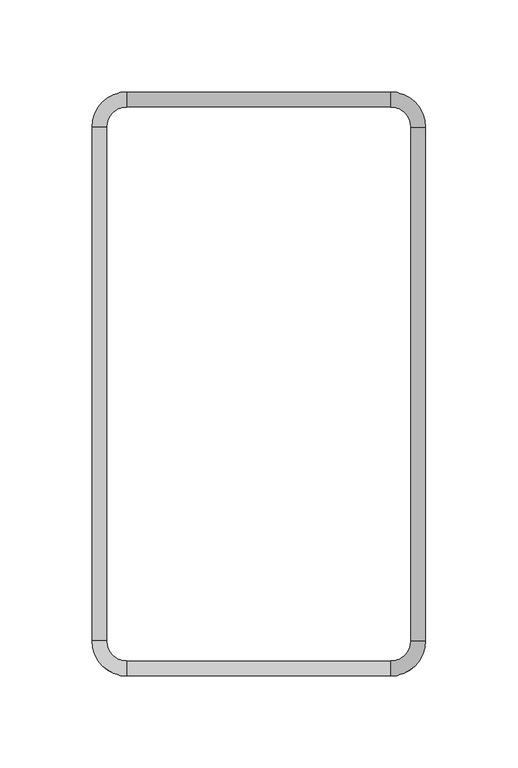
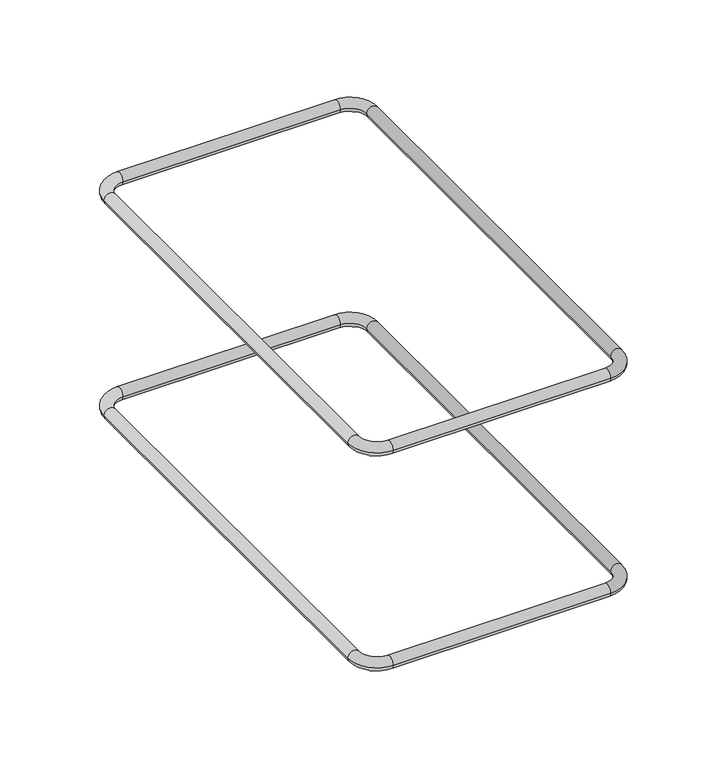
"""IFC4 building model written with IfcOpenShell, lengths in millimetres: proxy geometry."""

from ifc_helpers import new_model, si_unit, point, frame, origin, place, context, project, spatial, circle_curve, ellipse_curve, trimmed, source, transform, mapped, element, save
from ifc_brep_helpers import cylinder_surface, revolved_surface, advanced_brep


def generic_models_020169d3(model_context):
    return source(origin(), model_context, "Body", "AdvancedBrep", [
        advanced_brep(
        [(16477.9007555, 10079.0192504, 7784.695022), (16477.9007555, 10087.0192504, 7784.695022), (16334.575459, 10087.0192504, 7784.695022), (16334.575459, 10079.0192504, 7784.695022), (16334.575459, 10396.0687125, 7784.695022), (16334.575459, 10388.0687125, 7784.695022), (16477.9007555, 10388.0687125, 7784.695022), (16477.9007555, 10396.0687125, 7784.695022), (16496.9007555, 10377.0687125, 7784.695022), (16488.9007555, 10377.0687125, 7784.695022), (16488.9007555, 10098.0192504, 7784.695022), (16496.9007555, 10098.0192504, 7784.695022), (16315.575459, 10098.0192504, 7784.695022), (16323.575459, 10098.0192504, 7784.695022), (16323.575459, 10377.0687125, 7784.695022), (16315.575459, 10377.0687125, 7784.695022)],
        [
            (0, 1, circle_curve(frame((16477.9007555, 10083.0192504, 7784.695022), z_axis=(-1.0, 0.0, 0.0), x_axis=(0.0, -1.0, 0.0)), 4.0)),
            (1, 2),
            (2, 3, circle_curve(frame((16334.575459, 10083.0192504, 7784.695022), z_axis=(1.0, 0.0, 0.0), x_axis=(0.0, -1.0, 0.0)), 4.0)),
            (3, 0),
            (1, 0, circle_curve(frame((16477.9007555, 10083.0192504, 7784.695022), z_axis=(-1.0, 0.0, 0.0), x_axis=(0.0, -1.0, 0.0)), 4.0)),
            (3, 2, circle_curve(frame((16334.575459, 10083.0192504, 7784.695022), z_axis=(1.0, 0.0, 0.0), x_axis=(0.0, -1.0, 0.0)), 4.0)),
            (4, 5, circle_curve(frame((16334.575459, 10392.0687125, 7784.695022), z_axis=(1.0, 0.0, 0.0), x_axis=(0.0, 1.0, 0.0)), 4.0)),
            (5, 6),
            (6, 7, circle_curve(frame((16477.9007555, 10392.0687125, 7784.695022), z_axis=(-1.0, 0.0, 0.0), x_axis=(0.0, 1.0, 0.0)), 4.0)),
            (7, 4),
            (5, 4, circle_curve(frame((16334.575459, 10392.0687125, 7784.695022), z_axis=(1.0, 0.0, 0.0), x_axis=(0.0, 1.0, 0.0)), 4.0)),
            (7, 6, circle_curve(frame((16477.9007555, 10392.0687125, 7784.695022), z_axis=(-1.0, 0.0, 0.0), x_axis=(0.0, 1.0, 0.0)), 4.0)),
            (8, 7, circle_curve(frame((16477.9007555, 10377.0687125, 7784.695022), z_axis=(0.0, 0.0, 1.0), x_axis=(0.0, 1.0, 0.0)), 19.0)),
            (6, 9, circle_curve(frame((16477.9007555, 10377.0687125, 7784.695022), z_axis=(0.0, 0.0, -1.0), x_axis=(0.0, 1.0, 0.0)), 11.0)),
            (9, 8, circle_curve(frame((16492.9007555, 10377.0687125, 7784.695022), z_axis=(0.0, 1.0, 0.0), x_axis=(1.0, 0.0, 0.0)), 4.0)),
            (8, 9, circle_curve(frame((16492.9007555, 10377.0687125, 7784.695022), z_axis=(0.0, 1.0, 0.0), x_axis=(1.0, 0.0, 0.0)), 4.0)),
            (9, 10),
            (10, 11, circle_curve(frame((16492.9007555, 10098.0192504, 7784.695022), z_axis=(0.0, 1.0, 0.0), x_axis=(1.0, 0.0, 0.0)), 4.0)),
            (11, 8),
            (11, 10, circle_curve(frame((16492.9007555, 10098.0192504, 7784.695022), z_axis=(0.0, 1.0, 0.0), x_axis=(1.0, 0.0, 0.0)), 4.0)),
            (0, 11, circle_curve(frame((16477.9007555, 10098.0192504, 7784.695022), z_axis=(0.0, 0.0, 1.0), x_axis=(1.0, 0.0, 0.0)), 19.0)),
            (10, 1, circle_curve(frame((16477.9007555, 10098.0192504, 7784.695022), z_axis=(0.0, 0.0, -1.0), x_axis=(1.0, 0.0, 0.0)), 11.0)),
            (12, 3, circle_curve(frame((16334.575459, 10098.0192504, 7784.695022), z_axis=(0.0, 0.0, 1.0), x_axis=(0.0, -1.0, 0.0)), 19.0)),
            (2, 13, circle_curve(frame((16334.575459, 10098.0192504, 7784.695022), z_axis=(0.0, 0.0, -1.0), x_axis=(0.0, -1.0, 0.0)), 11.0)),
            (13, 12, circle_curve(frame((16319.575459, 10098.0192504, 7784.695022), z_axis=(0.0, -1.0, 0.0), x_axis=(-1.0, 0.0, 0.0)), 4.0)),
            (12, 13, circle_curve(frame((16319.575459, 10098.0192504, 7784.695022), z_axis=(0.0, -1.0, 0.0), x_axis=(-1.0, 0.0, 0.0)), 4.0)),
            (13, 14),
            (14, 15, circle_curve(frame((16319.575459, 10377.0687125, 7784.695022), z_axis=(0.0, -1.0, 0.0), x_axis=(-1.0, 0.0, 0.0)), 4.0)),
            (15, 12),
            (15, 14, circle_curve(frame((16319.575459, 10377.0687125, 7784.695022), z_axis=(0.0, -1.0, 0.0), x_axis=(-1.0, 0.0, 0.0)), 4.0)),
            (4, 15, circle_curve(frame((16334.575459, 10377.0687125, 7784.695022), z_axis=(0.0, 0.0, 1.0), x_axis=(-1.0, 0.0, 0.0)), 19.0)),
            (14, 5, circle_curve(frame((16334.575459, 10377.0687125, 7784.695022), z_axis=(0.0, 0.0, -1.0), x_axis=(-1.0, 0.0, 0.0)), 11.0)),
        ],
        [
            cylinder_surface(frame((16477.9007555, 10083.0192504, 7784.695022), z_axis=(1.0, 0.0, 0.0), x_axis=(0.0, -1.0, 0.0)), 4.0),
            cylinder_surface(frame((16334.575459, 10392.0687125, 7784.695022), z_axis=(-1.0, 0.0, 0.0), x_axis=(0.0, 1.0, 0.0)), 4.0),
            revolved_surface(trimmed(ellipse_curve(frame((16477.9007555, 10392.0687125, 7784.695022), z_axis=(-1.0, 0.0, 0.0), x_axis=(0.0, 1.0, 0.0)), 4.0, 4.0), [point((16477.9007555, 10388.0687125, 7784.695022))], [point((16477.9007555, 10396.0687125, 7784.695022))], True, "CARTESIAN"), (16477.9007555, 10377.0687125, 5170.945022), (0.0, 0.0, -1.0)),
            revolved_surface(trimmed(ellipse_curve(frame((16477.9007555, 10392.0687125, 7784.695022), z_axis=(-1.0, 0.0, 0.0), x_axis=(0.0, 1.0, 0.0)), 4.0, 4.0), [point((16477.9007555, 10396.0687125, 7784.695022))], [point((16477.9007555, 10388.0687125, 7784.695022))], True, "CARTESIAN"), (16477.9007555, 10377.0687125, 5170.945022), (0.0, 0.0, -1.0)),
            cylinder_surface(frame((16492.9007555, 10377.0687125, 7784.695022), z_axis=(0.0, 1.0, 0.0), x_axis=(1.0, 0.0, 0.0)), 4.0),
            revolved_surface(trimmed(ellipse_curve(frame((16492.9007555, 10098.0192504, 7784.695022), z_axis=(0.0, 1.0, 0.0), x_axis=(1.0, 0.0, 0.0)), 4.0, 4.0), [point((16488.9007555, 10098.0192504, 7784.695022))], [point((16496.9007555, 10098.0192504, 7784.695022))], True, "CARTESIAN"), (16477.9007555, 10098.0192504, 5170.945022), (0.0, 0.0, -1.0)),
            revolved_surface(trimmed(ellipse_curve(frame((16492.9007555, 10098.0192504, 7784.695022), z_axis=(0.0, 1.0, 0.0), x_axis=(1.0, 0.0, 0.0)), 4.0, 4.0), [point((16496.9007555, 10098.0192504, 7784.695022))], [point((16488.9007555, 10098.0192504, 7784.695022))], True, "CARTESIAN"), (16477.9007555, 10098.0192504, 5170.945022), (0.0, 0.0, -1.0)),
            revolved_surface(trimmed(ellipse_curve(frame((16334.575459, 10083.0192504, 7784.695022), z_axis=(1.0, 0.0, 0.0), x_axis=(0.0, -1.0, 0.0)), 4.0, 4.0), [point((16334.575459, 10087.0192504, 7784.695022))], [point((16334.575459, 10079.0192504, 7784.695022))], True, "CARTESIAN"), (16334.575459, 10098.0192504, 5170.945022), (0.0, 0.0, -1.0)),
            revolved_surface(trimmed(ellipse_curve(frame((16334.575459, 10083.0192504, 7784.695022), z_axis=(1.0, 0.0, 0.0), x_axis=(0.0, -1.0, 0.0)), 4.0, 4.0), [point((16334.575459, 10079.0192504, 7784.695022))], [point((16334.575459, 10087.0192504, 7784.695022))], True, "CARTESIAN"), (16334.575459, 10098.0192504, 5170.945022), (0.0, 0.0, -1.0)),
            cylinder_surface(frame((16319.575459, 10098.0192504, 7784.695022), z_axis=(0.0, -1.0, 0.0), x_axis=(-1.0, 0.0, 0.0)), 4.0),
            revolved_surface(trimmed(ellipse_curve(frame((16319.575459, 10377.0687125, 7784.695022), z_axis=(0.0, -1.0, 0.0), x_axis=(-1.0, 0.0, 0.0)), 4.0, 4.0), [point((16323.575459, 10377.0687125, 7784.695022))], [point((16315.575459, 10377.0687125, 7784.695022))], True, "CARTESIAN"), (16334.575459, 10377.0687125, 5170.945022), (0.0, 0.0, -1.0)),
            revolved_surface(trimmed(ellipse_curve(frame((16319.575459, 10377.0687125, 7784.695022), z_axis=(0.0, -1.0, 0.0), x_axis=(-1.0, 0.0, 0.0)), 4.0, 4.0), [point((16315.575459, 10377.0687125, 7784.695022))], [point((16323.575459, 10377.0687125, 7784.695022))], True, "CARTESIAN"), (16334.575459, 10377.0687125, 5170.945022), (0.0, 0.0, -1.0)),
        ],
        [
            (0, [[1, 2, 3, 4]]),
            (0, [[5, -4, 6, -2]]),
            (1, [[7, 8, 9, 10]]),
            (1, [[11, -10, 12, -8]]),
            (2, [[13, -9, 14, 15]]),
            (3, [[-14, -12, -13, 16]]),
            (4, [[-15, 17, 18, 19]]),
            (4, [[-16, -19, 20, -17]]),
            (5, [[21, -18, 22, -1]]),
            (6, [[-22, -20, -21, -5]]),
            (7, [[23, -3, 24, 25]]),
            (8, [[-24, -6, -23, 26]]),
            (9, [[-25, 27, 28, 29]]),
            (9, [[-26, -29, 30, -27]]),
            (10, [[31, -28, 32, -7]]),
            (11, [[-32, -30, -31, -11]]),
        ],
    ),
        advanced_brep(
        [(16477.9007555, 10079.0192504, 7934.6881264), (16477.9007555, 10087.0192504, 7934.6881264), (16334.575459, 10087.0192504, 7934.6881264), (16334.575459, 10079.0192504, 7934.6881264), (16334.575459, 10396.0687125, 7934.6881264), (16334.575459, 10388.0687125, 7934.6881264), (16477.9007555, 10388.0687125, 7934.6881264), (16477.9007555, 10396.0687125, 7934.6881264), (16496.9007555, 10377.0687125, 7934.6881264), (16488.9007555, 10377.0687125, 7934.6881264), (16488.9007555, 10098.0192504, 7934.6881264), (16496.9007555, 10098.0192504, 7934.6881264), (16315.575459, 10098.0192504, 7934.6881264), (16323.575459, 10098.0192504, 7934.6881264), (16323.575459, 10377.0687125, 7934.6881264), (16315.575459, 10377.0687125, 7934.6881264)],
        [
            (0, 1, circle_curve(frame((16477.9007555, 10083.0192504, 7934.6881264), z_axis=(-1.0, 0.0, 0.0), x_axis=(0.0, -1.0, 0.0)), 4.0)),
            (1, 2),
            (2, 3, circle_curve(frame((16334.575459, 10083.0192504, 7934.6881264), z_axis=(1.0, 0.0, 0.0), x_axis=(0.0, -1.0, 0.0)), 4.0)),
            (3, 0),
            (1, 0, circle_curve(frame((16477.9007555, 10083.0192504, 7934.6881264), z_axis=(-1.0, 0.0, 0.0), x_axis=(0.0, -1.0, 0.0)), 4.0)),
            (3, 2, circle_curve(frame((16334.575459, 10083.0192504, 7934.6881264), z_axis=(1.0, 0.0, 0.0), x_axis=(0.0, -1.0, 0.0)), 4.0)),
            (4, 5, circle_curve(frame((16334.575459, 10392.0687125, 7934.6881264), z_axis=(1.0, 0.0, 0.0), x_axis=(0.0, 1.0, 0.0)), 4.0)),
            (5, 6),
            (6, 7, circle_curve(frame((16477.9007555, 10392.0687125, 7934.6881264), z_axis=(-1.0, 0.0, 0.0), x_axis=(0.0, 1.0, 0.0)), 4.0)),
            (7, 4),
            (5, 4, circle_curve(frame((16334.575459, 10392.0687125, 7934.6881264), z_axis=(1.0, 0.0, 0.0), x_axis=(0.0, 1.0, 0.0)), 4.0)),
            (7, 6, circle_curve(frame((16477.9007555, 10392.0687125, 7934.6881264), z_axis=(-1.0, 0.0, 0.0), x_axis=(0.0, 1.0, 0.0)), 4.0)),
            (8, 7, circle_curve(frame((16477.9007555, 10377.0687125, 7934.6881264), z_axis=(0.0, 0.0, 1.0), x_axis=(0.0, 1.0, 0.0)), 19.0)),
            (6, 9, circle_curve(frame((16477.9007555, 10377.0687125, 7934.6881264), z_axis=(0.0, 0.0, -1.0), x_axis=(0.0, 1.0, 0.0)), 11.0)),
            (9, 8, circle_curve(frame((16492.9007555, 10377.0687125, 7934.6881264), z_axis=(0.0, 1.0, 0.0), x_axis=(1.0, 0.0, 0.0)), 4.0)),
            (8, 9, circle_curve(frame((16492.9007555, 10377.0687125, 7934.6881264), z_axis=(0.0, 1.0, 0.0), x_axis=(1.0, 0.0, 0.0)), 4.0)),
            (9, 10),
            (10, 11, circle_curve(frame((16492.9007555, 10098.0192504, 7934.6881264), z_axis=(0.0, 1.0, 0.0), x_axis=(1.0, 0.0, 0.0)), 4.0)),
            (11, 8),
            (11, 10, circle_curve(frame((16492.9007555, 10098.0192504, 7934.6881264), z_axis=(0.0, 1.0, 0.0), x_axis=(1.0, 0.0, 0.0)), 4.0)),
            (0, 11, circle_curve(frame((16477.9007555, 10098.0192504, 7934.6881264), z_axis=(0.0, 0.0, 1.0), x_axis=(1.0, 0.0, 0.0)), 19.0)),
            (10, 1, circle_curve(frame((16477.9007555, 10098.0192504, 7934.6881264), z_axis=(0.0, 0.0, -1.0), x_axis=(1.0, 0.0, 0.0)), 11.0)),
            (12, 3, circle_curve(frame((16334.575459, 10098.0192504, 7934.6881264), z_axis=(0.0, 0.0, 1.0), x_axis=(0.0, -1.0, 0.0)), 19.0)),
            (2, 13, circle_curve(frame((16334.575459, 10098.0192504, 7934.6881264), z_axis=(0.0, 0.0, -1.0), x_axis=(0.0, -1.0, 0.0)), 11.0)),
            (13, 12, circle_curve(frame((16319.575459, 10098.0192504, 7934.6881264), z_axis=(0.0, -1.0, 0.0), x_axis=(-1.0, 0.0, 0.0)), 4.0)),
            (12, 13, circle_curve(frame((16319.575459, 10098.0192504, 7934.6881264), z_axis=(0.0, -1.0, 0.0), x_axis=(-1.0, 0.0, 0.0)), 4.0)),
            (13, 14),
            (14, 15, circle_curve(frame((16319.575459, 10377.0687125, 7934.6881264), z_axis=(0.0, -1.0, 0.0), x_axis=(-1.0, 0.0, 0.0)), 4.0)),
            (15, 12),
            (15, 14, circle_curve(frame((16319.575459, 10377.0687125, 7934.6881264), z_axis=(0.0, -1.0, 0.0), x_axis=(-1.0, 0.0, 0.0)), 4.0)),
            (4, 15, circle_curve(frame((16334.575459, 10377.0687125, 7934.6881264), z_axis=(0.0, 0.0, 1.0), x_axis=(-1.0, 0.0, 0.0)), 19.0)),
            (14, 5, circle_curve(frame((16334.575459, 10377.0687125, 7934.6881264), z_axis=(0.0, 0.0, -1.0), x_axis=(-1.0, 0.0, 0.0)), 11.0)),
        ],
        [
            cylinder_surface(frame((16477.9007555, 10083.0192504, 7934.6881264), z_axis=(1.0, 0.0, 0.0), x_axis=(0.0, -1.0, 0.0)), 4.0),
            cylinder_surface(frame((16334.575459, 10392.0687125, 7934.6881264), z_axis=(-1.0, 0.0, 0.0), x_axis=(0.0, 1.0, 0.0)), 4.0),
            revolved_surface(trimmed(ellipse_curve(frame((16477.9007555, 10392.0687125, 7934.6881264), z_axis=(-1.0, 0.0, 0.0), x_axis=(0.0, 1.0, 0.0)), 4.0, 4.0), [point((16477.9007555, 10388.0687125, 7934.6881264))], [point((16477.9007555, 10396.0687125, 7934.6881264))], True, "CARTESIAN"), (16477.9007555, 10377.0687125, 5320.9381264), (0.0, 0.0, -1.0)),
            revolved_surface(trimmed(ellipse_curve(frame((16477.9007555, 10392.0687125, 7934.6881264), z_axis=(-1.0, 0.0, 0.0), x_axis=(0.0, 1.0, 0.0)), 4.0, 4.0), [point((16477.9007555, 10396.0687125, 7934.6881264))], [point((16477.9007555, 10388.0687125, 7934.6881264))], True, "CARTESIAN"), (16477.9007555, 10377.0687125, 5320.9381264), (0.0, 0.0, -1.0)),
            cylinder_surface(frame((16492.9007555, 10377.0687125, 7934.6881264), z_axis=(0.0, 1.0, 0.0), x_axis=(1.0, 0.0, 0.0)), 4.0),
            revolved_surface(trimmed(ellipse_curve(frame((16492.9007555, 10098.0192504, 7934.6881264), z_axis=(0.0, 1.0, 0.0), x_axis=(1.0, 0.0, 0.0)), 4.0, 4.0), [point((16488.9007555, 10098.0192504, 7934.6881264))], [point((16496.9007555, 10098.0192504, 7934.6881264))], True, "CARTESIAN"), (16477.9007555, 10098.0192504, 5320.9381264), (0.0, 0.0, -1.0)),
            revolved_surface(trimmed(ellipse_curve(frame((16492.9007555, 10098.0192504, 7934.6881264), z_axis=(0.0, 1.0, 0.0), x_axis=(1.0, 0.0, 0.0)), 4.0, 4.0), [point((16496.9007555, 10098.0192504, 7934.6881264))], [point((16488.9007555, 10098.0192504, 7934.6881264))], True, "CARTESIAN"), (16477.9007555, 10098.0192504, 5320.9381264), (0.0, 0.0, -1.0)),
            revolved_surface(trimmed(ellipse_curve(frame((16334.575459, 10083.0192504, 7934.6881264), z_axis=(1.0, 0.0, 0.0), x_axis=(0.0, -1.0, 0.0)), 4.0, 4.0), [point((16334.575459, 10087.0192504, 7934.6881264))], [point((16334.575459, 10079.0192504, 7934.6881264))], True, "CARTESIAN"), (16334.575459, 10098.0192504, 5320.9381264), (0.0, 0.0, -1.0)),
            revolved_surface(trimmed(ellipse_curve(frame((16334.575459, 10083.0192504, 7934.6881264), z_axis=(1.0, 0.0, 0.0), x_axis=(0.0, -1.0, 0.0)), 4.0, 4.0), [point((16334.575459, 10079.0192504, 7934.6881264))], [point((16334.575459, 10087.0192504, 7934.6881264))], True, "CARTESIAN"), (16334.575459, 10098.0192504, 5320.9381264), (0.0, 0.0, -1.0)),
            cylinder_surface(frame((16319.575459, 10098.0192504, 7934.6881264), z_axis=(0.0, -1.0, 0.0), x_axis=(-1.0, 0.0, 0.0)), 4.0),
            revolved_surface(trimmed(ellipse_curve(frame((16319.575459, 10377.0687125, 7934.6881264), z_axis=(0.0, -1.0, 0.0), x_axis=(-1.0, 0.0, 0.0)), 4.0, 4.0), [point((16323.575459, 10377.0687125, 7934.6881264))], [point((16315.575459, 10377.0687125, 7934.6881264))], True, "CARTESIAN"), (16334.575459, 10377.0687125, 5320.9381264), (0.0, 0.0, -1.0)),
            revolved_surface(trimmed(ellipse_curve(frame((16319.575459, 10377.0687125, 7934.6881264), z_axis=(0.0, -1.0, 0.0), x_axis=(-1.0, 0.0, 0.0)), 4.0, 4.0), [point((16315.575459, 10377.0687125, 7934.6881264))], [point((16323.575459, 10377.0687125, 7934.6881264))], True, "CARTESIAN"), (16334.575459, 10377.0687125, 5320.9381264), (0.0, 0.0, -1.0)),
        ],
        [
            (0, [[1, 2, 3, 4]]),
            (0, [[5, -4, 6, -2]]),
            (1, [[7, 8, 9, 10]]),
            (1, [[11, -10, 12, -8]]),
            (2, [[13, -9, 14, 15]]),
            (3, [[-14, -12, -13, 16]]),
            (4, [[-15, 17, 18, 19]]),
            (4, [[-16, -19, 20, -17]]),
            (5, [[21, -18, 22, -1]]),
            (6, [[-22, -20, -21, -5]]),
            (7, [[23, -3, 24, 25]]),
            (8, [[-24, -6, -23, 26]]),
            (9, [[-25, 27, 28, 29]]),
            (9, [[-26, -29, 30, -27]]),
            (10, [[31, -28, 32, -7]]),
            (11, [[-32, -30, -31, -11]]),
        ],
    ),
    ])


if __name__ == "__main__":
    model = new_model("IFC4")
    model_context = context("Model", 3, world=origin())
    ifc_project = project(units=[si_unit("LENGTHUNIT", "METRE", prefix="MILLI")], contexts=[model_context])
    site = spatial("IfcSite", under=ifc_project)
    building = spatial("IfcBuilding", under=site)
    placement = place(None, origin())
    generic_models_shape = generic_models_020169d3(model_context)
    element("IfcBuildingElementProxy", 1, Name="Generic Models", at=placement, inside=building, context=model_context, shape_type="MappedRepresentation", body=[
        mapped(generic_models_shape, transform((0.0, 0.0, 0.0), x_axis=(1.0, 0.0, 0.0), y_axis=(0.0, 1.0, 0.0), z_axis=(0.0, 0.0, 1.0))),
    ])
    save(model, "model.ifc")
